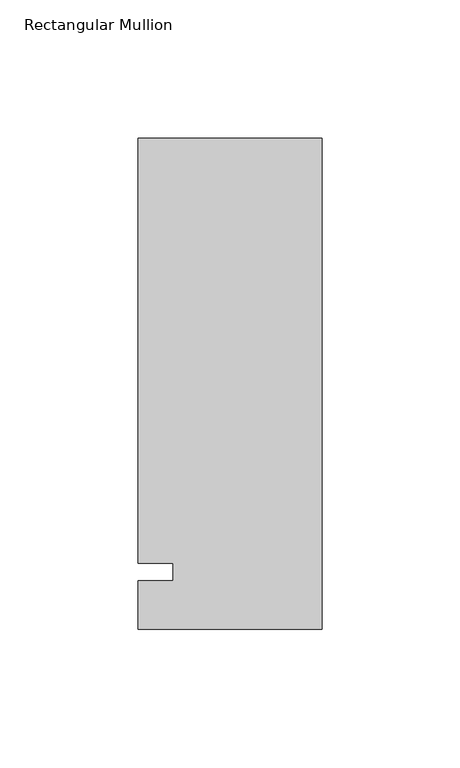
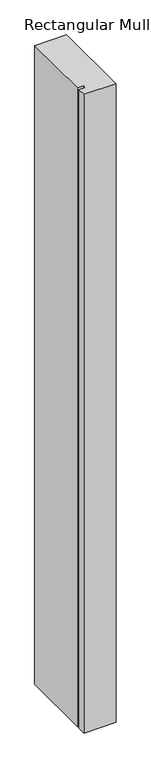
"""IFC4 building model written with IfcOpenShell, lengths in millimetres: member geometry, Rectangular Mullion."""

from ifc_helpers import new_model, si_unit, frame, origin, place, context, project, spatial, polyline, outline, extrude, source, transform, mapped, element, save


def rectangular_mullion_526a0f08(model_context):
    return source(origin(), model_context, "Body", "SweptSolid", [
        extrude(outline(polyline([(-66.675, 157.1625), (0.0, 157.1625), (0.0, -20.6375), (-66.675, -20.6375), (-66.675, -3.175), (-53.9732296, -3.175), (-53.9732296, 3.175), (-66.675, 3.175), (-66.675, 157.1625)])), frame((0.0, 0.0, -1407.482264), z_axis=(0.0, 0.0, 1.0), x_axis=(1.0, 0.0, 0.0)), (0.0, 0.0, 1.0), 1407.482264),
    ])


if __name__ == "__main__":
    model = new_model("IFC4")
    model_context = context("Model", 3, world=origin())
    ifc_project = project(units=[si_unit("LENGTHUNIT", "METRE", prefix="MILLI")], contexts=[model_context])
    site = spatial("IfcSite", under=ifc_project)
    building = spatial("IfcBuilding", under=site)
    placement = place(None, origin())
    rectangular_mullion_shape = rectangular_mullion_526a0f08(model_context)
    element("IfcMember", 1, ObjectType="Rectangular Mullion", at=placement, inside=building, context=model_context, shape_type="MappedRepresentation", body=[
        mapped(rectangular_mullion_shape, transform((0.0, 0.0, 0.0), x_axis=(1.0, 0.0, 0.0), y_axis=(0.0, 1.0, 0.0), z_axis=(0.0, 0.0, 1.0))),
    ])
    save(model, "model.ifc")
